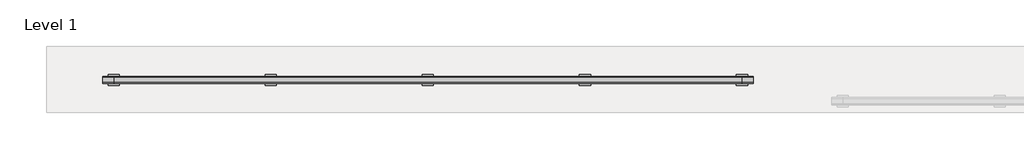
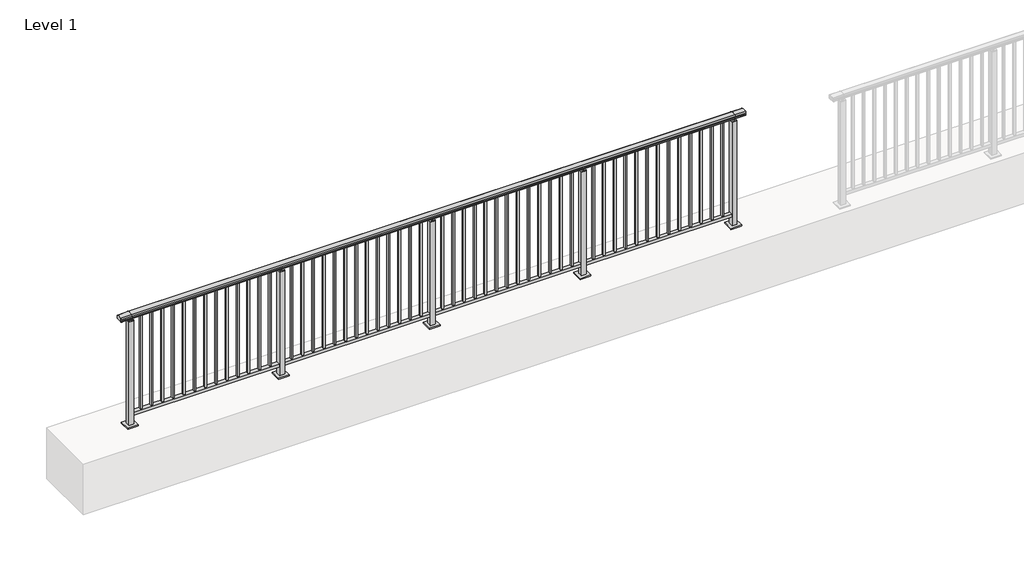
# One storey, part 16 of 64: 1 railing.
"""IFC4 building model written with IfcOpenShell, lengths in millimetres."""

import ifcopenshell
import ifcopenshell.guid

model = None  # the IFC model being written
_history = None  # IfcOwnerHistory: only IFC2X3 demands one
_inside = {}  # id of a spatial element -> (the spatial element, [elements in it])
_under = {}  # id of a project, library or spatial element -> (it, [spatial elements below it])
_declared = {}  # id of a project -> (the project, [libraries it declares])
_typed = {}  # id of a type object -> (the type object, [elements of that type])
_made_of = {}  # id of a material, layer set ... -> (it, [elements and type objects made of it])


def new_model(schema):
    """Start an empty IFC model of exactly this schema.

    Asked for "IFC4X3", IfcOpenShell would pick the latest addendum, in which some entities
    have other attributes; the version numbers below select the first issue.
    IFC2X3 requires an IfcOwnerHistory on every rooted entity: one is made here for all.
    """
    global model, _history
    if schema == "IFC4X3":
        model = ifcopenshell.file(schema_version=(4, 3, 0, 0))
    else:
        model = ifcopenshell.file(schema=schema)
    _inside.clear()
    _under.clear()
    _declared.clear()
    _typed.clear()
    _made_of.clear()
    _history = None
    if model.schema == "IFC2X3":
        org = make("IfcOrganization", Name="unknown")
        user = make(
            "IfcPersonAndOrganization",
            ThePerson=make("IfcPerson", FamilyName="unknown"),
            TheOrganization=org,
        )
        app = make(
            "IfcApplication",
            ApplicationDeveloper=org,
            Version="unknown",
            ApplicationFullName="unknown",
            ApplicationIdentifier="unknown",
        )
        _history = make(
            "IfcOwnerHistory",
            OwningUser=user,
            OwningApplication=app,
            ChangeAction="ADDED",
            CreationDate=0,
        )
    return model


def make(cls, **values):
    """One entity of the class cls with the attributes given. An attribute that is None is left unset."""
    return model.create_entity(
        cls, **{name: value for name, value in values.items() if value is not None}
    )


def rooted(cls, **values):
    """An entity with a GlobalId (a new one), such as an element, a storey or a relation."""
    return make(cls, GlobalId=ifcopenshell.guid.new(), OwnerHistory=_history, **values)


def si_unit(unit_type, name, prefix=None):
    """IfcSIUnit, for example si_unit("LENGTHUNIT", "METRE", prefix="MILLI")."""
    return make("IfcSIUnit", UnitType=unit_type, Prefix=prefix, Name=name)


def assignment(units):
    """IfcUnitAssignment: the units of a project."""
    return None if units is None else make("IfcUnitAssignment", Units=units)


def point(xyz):
    """IfcCartesianPoint."""
    return None if xyz is None else make("IfcCartesianPoint", Coordinates=xyz)


def direction(xyz):
    """IfcDirection."""
    return None if xyz is None else make("IfcDirection", DirectionRatios=xyz)


def frame(location, z_axis=None, x_axis=None):
    """IfcAxis2Placement3D, a coordinate frame: its origin and axes. An axis left out is left unset."""
    return make(
        "IfcAxis2Placement3D",
        Location=point(location),
        Axis=direction(z_axis),
        RefDirection=direction(x_axis),
    )


def origin():
    """The frame at (0, 0, 0) with its axes left unset."""
    return frame((0.0, 0.0, 0.0))


def origin_with_axes():
    """The frame at (0, 0, 0) with the z axis (0, 0, 1) and the x axis (1, 0, 0) written out."""
    return frame((0.0, 0.0, 0.0), z_axis=(0.0, 0.0, 1.0), x_axis=(1.0, 0.0, 0.0))


def place(relative_to, where):
    """IfcLocalPlacement: puts the frame where relative to a parent placement (None: the world)."""
    return make(
        "IfcLocalPlacement", PlacementRelTo=relative_to, RelativePlacement=where
    )


def context(
    kind, dimensions, precision=None, world=None, true_north=None, identifier=None
):
    """IfcGeometricRepresentationContext, for example the 3D "Model" context."""
    return make(
        "IfcGeometricRepresentationContext",
        ContextIdentifier=identifier,
        ContextType=kind,
        CoordinateSpaceDimension=dimensions,
        Precision=precision,
        WorldCoordinateSystem=world,
        TrueNorth=true_north,
    )


def project(units=None, contexts=None):
    """IfcProject with its units and contexts."""
    return rooted(
        "IfcProject",
        Name="project",
        RepresentationContexts=contexts,
        UnitsInContext=assignment(units),
    )


def spatial(cls, under=None, at=None, **own):
    """A site, building, storey or space (cls), placed at a placement, below another one or the project."""
    s = rooted(cls, ObjectPlacement=at, **own)
    if under is not None:
        _under.setdefault(under.id(), (under, []))[1].append(s)
    return s


def polyline(points):
    """IfcPolyline through the points."""
    return make("IfcPolyline", Points=[point(p) for p in points])


def circle_curve(where, radius):
    """IfcCircle in the frame where."""
    return make("IfcCircle", Position=where, Radius=radius)


def outline(outer, holes=None, kind="AREA"):
    """IfcArbitraryClosedProfileDef: a profile drawn as a closed curve; with holes, ...WithVoids."""
    if holes is None:
        return make("IfcArbitraryClosedProfileDef", ProfileType=kind, OuterCurve=outer)
    return make(
        "IfcArbitraryProfileDefWithVoids",
        ProfileType=kind,
        OuterCurve=outer,
        InnerCurves=holes,
    )


def extrude(swept, where, along, depth):
    """IfcExtrudedAreaSolid: the profile swept, set in the frame where, extruded along a direction by depth."""
    return make(
        "IfcExtrudedAreaSolid",
        SweptArea=swept,
        Position=where,
        ExtrudedDirection=direction(along),
        Depth=depth,
    )


def shape(context_of_items, identifier, shape_type, items):
    """IfcShapeRepresentation: the items that make up one representation, for example the "Body"."""
    return make(
        "IfcShapeRepresentation",
        ContextOfItems=context_of_items,
        RepresentationIdentifier=identifier,
        RepresentationType=shape_type,
        Items=items,
    )


def made_of(thing, what):
    """Note that an element or type object is made of a material, layer set ...; save() writes the relation."""
    if what is not None:
        _made_of.setdefault(what.id(), (what, []))[1].append(thing)
    return thing


def element(
    cls,
    number,
    at=None,
    inside=None,
    cuts=None,
    type_object=None,
    material=None,
    context=None,
    identifier="Body",
    shape_type=None,
    held_by="IfcProductDefinitionShape",
    body=None,
    shapes=None,
    **own,
):
    """One element of the class cls, such as IfcWall. Its Tag is "e" and its number.

    at: its placement. inside: the storey or other place that contains it. cuts: it is an
    opening in that element (IfcRelVoidsElement). A single representation is given by context,
    identifier, shape_type and body (its items); several are given by shapes. held_by: the class
    of the entity that holds the representations. save() writes the other relations.
    """
    e = rooted(cls, Tag="e%d" % number, ObjectPlacement=at, **own)
    if body is not None:
        shapes = [shape(context, identifier, shape_type, body)]
    if shapes is not None:
        e.Representation = make(held_by, Representations=shapes)
    if inside is not None:
        _inside.setdefault(inside.id(), (inside, []))[1].append(e)
    if cuts is not None:
        rooted(
            "IfcRelVoidsElement", RelatingBuildingElement=cuts, RelatedOpeningElement=e
        )
    if type_object is not None:
        _typed.setdefault(type_object.id(), (type_object, []))[1].append(e)
    return made_of(e, material)


def aggregate(whole, parts):
    """IfcRelAggregates: a whole, such as a stair, and the parts it consists of."""
    return rooted("IfcRelAggregates", RelatingObject=whole, RelatedObjects=parts)


def save(model, path):
    """Write the relations noted so far, then the file.

    IfcRelAggregates (storeys below a building ...), IfcRelContainedInSpatialStructure (elements
    in a storey), IfcRelDefinesByType, IfcRelAssociatesMaterial and IfcRelDeclares: one each for
    every whole, place, type object, material and project.
    """
    for whole, parts in _under.values():
        aggregate(whole, parts)
    for where, things in _inside.values():
        rooted(
            "IfcRelContainedInSpatialStructure",
            RelatedElements=things,
            RelatingStructure=where,
        )
    for kind, things in _typed.values():
        rooted("IfcRelDefinesByType", RelatedObjects=things, RelatingType=kind)
    for what, things in _made_of.values():
        rooted("IfcRelAssociatesMaterial", RelatedObjects=things, RelatingMaterial=what)
    for by, libraries in _declared.values():
        rooted("IfcRelDeclares", RelatingContext=by, RelatedDefinitions=libraries)
    model.write(path)


def plane_surface(at):
    """IfcPlane: the flat surface through the origin of the frame at, square to its z axis."""
    return make("IfcPlane", Position=at)


def cylinder_surface(at, radius):
    """IfcCylindricalSurface: all points at the distance radius from the z axis of the frame at."""
    return make("IfcCylindricalSurface", Position=at, Radius=radius)


def revolved_surface(curve, axis_point, axis_direction):
    """IfcSurfaceOfRevolution: the curve turned about the line through axis_point along axis_direction."""
    return make(
        "IfcSurfaceOfRevolution",
        SweptCurve=make("IfcArbitraryOpenProfileDef", ProfileType="CURVE", Curve=curve),
        AxisPosition=make("IfcAxis1Placement", Location=point(axis_point), Axis=direction(axis_direction)),
    )


def advanced_brep(points, edges, surfaces, faces):
    """IfcAdvancedBrep: a solid bounded by faces that lie on surfaces and meet in shared edges.

    An edge is (start, end): straight between two places in points (the first is 0);
    or (start, end, curve); or (start, end, curve, False) where it runs against its curve.
    A face is (place in surfaces, loops), or (place, loops, False) where it looks against
    its surface's normal. A loop lists edges by number (the first is 1), with a minus sign
    where the edge is run from its end to its start. The first loop is the outer one.
    """
    corners = [point(p) for p in points]
    vertices = [make("IfcVertexPoint", VertexGeometry=c) for c in corners]
    made = []
    for start, end, *more in edges:
        made.append(
            make(
                "IfcEdgeCurve",
                EdgeStart=vertices[start],
                EdgeEnd=vertices[end],
                EdgeGeometry=more[0] if more else make("IfcPolyline", Points=[corners[start], corners[end]]),
                SameSense=more[1] if len(more) > 1 else True,
            )
        )
    hull = []
    for where, loops, *sense in faces:
        bounds = []
        for j, loop in enumerate(loops):
            ring = [make("IfcOrientedEdge", EdgeElement=made[abs(k) - 1], Orientation=k > 0) for k in loop]
            bounds.append(
                make(
                    "IfcFaceOuterBound" if j == 0 else "IfcFaceBound",
                    Bound=make("IfcEdgeLoop", EdgeList=ring),
                    Orientation=True,
                )
            )
        hull.append(make("IfcAdvancedFace", Bounds=bounds, FaceSurface=surfaces[where], SameSense=sense[0] if sense else True))
    return make("IfcAdvancedBrep", Outer=make("IfcClosedShell", CfsFaces=hull))


model = new_model("IFC4")

# Units and contexts
model_context = context("Model", 3, world=origin())
ifc_project = project(units=[si_unit("LENGTHUNIT", "METRE", prefix="MILLI")], contexts=[model_context])

# Site, building, storey
site = spatial("IfcSite", under=ifc_project)
building = spatial("IfcBuilding", under=site)
storey = spatial("IfcBuildingStorey", under=building, Name="Level 1", Elevation=0.0)

# Railing
placement = place(None, origin())
element("IfcRailing", 1, at=placement, inside=storey, context=model_context, shape_type="SolidModel", body=[
    advanced_brep(
    [(-100.0, 15215.3633756, 1095.6691182), (-100.0, 15220.1846828, 1081.1334092), (-100.0, 15219.2413744, 1069.2539035), (-100.0, 15221.1364177, 1061.4863007), (-100.0, 15219.4894799, 1060.384124), (-100.0, 15219.4894799, 1062.0), (-100.0, 15160.8798858, 1062.0), (-100.0, 15160.8798858, 1060.384124), (-100.0, 15159.232948, 1061.4863007), (-100.0, 15161.1279912, 1069.2539035), (-100.0, 15160.1846828, 1081.1334092), (-100.0, 15165.00599, 1095.6691182), (5700.0, 15215.3633756, 1095.6691182), (5700.0, 15165.00599, 1095.6691182), (5700.0, 15160.1846828, 1081.1334092), (5700.0, 15161.1279912, 1069.2539035), (5700.0, 15159.232948, 1061.4863007), (5700.0, 15160.8798858, 1060.384124), (5700.0, 15160.8798858, 1062.0), (5700.0, 15219.4894799, 1062.0), (5700.0, 15219.4894799, 1060.384124), (5700.0, 15221.1364177, 1061.4863007), (5700.0, 15219.2413744, 1069.2539035), (5700.0, 15220.1846828, 1081.1334092), (0.0, 15215.3633756, 1095.6691182), (0.0, 15220.1846828, 1081.1334092), (0.0, 15219.2413744, 1069.2539035), (0.0, 15221.1364177, 1061.4863007), (0.0, 15219.4894799, 1060.384124), (0.0, 15219.4894799, 1062.0), (0.0, 15160.8798858, 1062.0), (0.0, 15160.8798858, 1060.384124), (0.0, 15159.232948, 1061.4863007), (0.0, 15161.1279912, 1069.2539035), (0.0, 15160.1846828, 1081.1334092), (0.0, 15165.00599, 1095.6691182), (5600.0, 15215.3633756, 1095.6691182), (5600.0, 15220.1846828, 1081.1334092), (5600.0, 15219.2413744, 1069.2539035), (5600.0, 15221.1364177, 1061.4863007), (5600.0, 15219.4894799, 1060.384124), (5600.0, 15219.4894799, 1062.0), (5600.0, 15160.8798858, 1062.0), (5600.0, 15160.8798858, 1060.384124), (5600.0, 15159.232948, 1061.4863007), (5600.0, 15161.1279912, 1069.2539035), (5600.0, 15160.1846828, 1081.1334092), (5600.0, 15165.00599, 1095.6691182)],
    [
        (0, 1, circle_curve(frame((-100.0, 15212.1223845, 1086.526686), z_axis=(-1.0, 0.0, 0.0), x_axis=(0.0, -1.0, 0.0)), 9.6999015)),
        (1, 2, circle_curve(frame((-100.0, 15237.7252545, 1073.7633709), z_axis=(1.0, 0.0, 0.0), x_axis=(0.0, -1.0, 0.0)), 19.0260117)),
        (2, 3),
        (3, 4, circle_curve(frame((-100.0, 15220.2772073, 1060.9886194), z_axis=(-1.0, 0.0, 0.0), x_axis=(0.0, -1.0, 0.0)), 0.9929396)),
        (4, 5),
        (5, 6),
        (6, 7),
        (7, 8, circle_curve(frame((-100.0, 15160.0921584, 1060.9886194), z_axis=(-1.0, 0.0, 0.0), x_axis=(0.0, 1.0, 0.0)), 0.9929396)),
        (8, 9),
        (9, 10, circle_curve(frame((-100.0, 15142.6441111, 1073.7633709), z_axis=(1.0, 0.0, 0.0), x_axis=(0.0, 1.0, 0.0)), 19.0260117)),
        (10, 11, circle_curve(frame((-100.0, 15168.2469812, 1086.526686), z_axis=(-1.0, 0.0, 0.0), x_axis=(0.0, 1.0, 0.0)), 9.6999015)),
        (11, 0, circle_curve(frame((-100.0, 15190.1846828, 1024.6431628), z_axis=(-1.0, 0.0, 0.0), x_axis=(0.0, 1.0, 0.0)), 75.3568372)),
        (12, 13, circle_curve(frame((5700.0, 15190.1846828, 1024.6431628), z_axis=(1.0, 0.0, 0.0), x_axis=(0.0, 1.0, 0.0)), 75.3568372)),
        (13, 14, circle_curve(frame((5700.0, 15168.2469812, 1086.526686), z_axis=(1.0, 0.0, 0.0), x_axis=(0.0, 1.0, 0.0)), 9.6999015)),
        (14, 15, circle_curve(frame((5700.0, 15142.6441111, 1073.7633709), z_axis=(-1.0, 0.0, 0.0), x_axis=(0.0, 1.0, 0.0)), 19.0260117)),
        (15, 16),
        (16, 17, circle_curve(frame((5700.0, 15160.0921584, 1060.9886194), z_axis=(1.0, 0.0, 0.0), x_axis=(0.0, 1.0, 0.0)), 0.9929396)),
        (17, 18),
        (18, 19),
        (19, 20),
        (20, 21, circle_curve(frame((5700.0, 15220.2772073, 1060.9886194), z_axis=(1.0, 0.0, 0.0), x_axis=(0.0, -1.0, 0.0)), 0.9929396)),
        (21, 22),
        (22, 23, circle_curve(frame((5700.0, 15237.7252545, 1073.7633709), z_axis=(-1.0, 0.0, 0.0), x_axis=(0.0, -1.0, 0.0)), 19.0260117)),
        (23, 12, circle_curve(frame((5700.0, 15212.1223845, 1086.526686), z_axis=(1.0, 0.0, 0.0), x_axis=(0.0, -1.0, 0.0)), 9.6999015)),
        (0, 24),
        (24, 25, circle_curve(frame((0.0, 15212.1223845, 1086.526686), z_axis=(-1.0, 0.0, 0.0), x_axis=(0.0, -1.0, 0.0)), 9.6999015)),
        (25, 1),
        (25, 26, circle_curve(frame((0.0, 15237.7252545, 1073.7633709), z_axis=(1.0, 0.0, 0.0), x_axis=(0.0, -1.0, 0.0)), 19.0260117)),
        (26, 2),
        (26, 27),
        (27, 3),
        (27, 28, circle_curve(frame((0.0, 15220.2772073, 1060.9886194), z_axis=(-1.0, 0.0, 0.0), x_axis=(0.0, -1.0, 0.0)), 0.9929396)),
        (28, 4),
        (28, 29),
        (29, 5),
        (29, 30),
        (30, 6),
        (30, 31),
        (31, 7),
        (31, 32, circle_curve(frame((0.0, 15160.0921584, 1060.9886194), z_axis=(-1.0, 0.0, 0.0), x_axis=(0.0, 1.0, 0.0)), 0.9929396)),
        (32, 8),
        (32, 33),
        (33, 9),
        (33, 34, circle_curve(frame((0.0, 15142.6441111, 1073.7633709), z_axis=(1.0, 0.0, 0.0), x_axis=(0.0, 1.0, 0.0)), 19.0260117)),
        (34, 10),
        (34, 35, circle_curve(frame((0.0, 15168.2469812, 1086.526686), z_axis=(-1.0, 0.0, 0.0), x_axis=(0.0, 1.0, 0.0)), 9.6999015)),
        (35, 11),
        (35, 24, circle_curve(frame((0.0, 15190.1846828, 1024.6431628), z_axis=(-1.0, 0.0, 0.0), x_axis=(0.0, 1.0, 0.0)), 75.3568372)),
        (24, 36),
        (36, 37, circle_curve(frame((5600.0, 15212.1223845, 1086.526686), z_axis=(-1.0, 0.0, 0.0), x_axis=(0.0, -1.0, 0.0)), 9.6999015)),
        (37, 25),
        (37, 38, circle_curve(frame((5600.0, 15237.7252545, 1073.7633709), z_axis=(1.0, 0.0, 0.0), x_axis=(0.0, -1.0, 0.0)), 19.0260117)),
        (38, 26),
        (38, 39),
        (39, 27),
        (39, 40, circle_curve(frame((5600.0, 15220.2772073, 1060.9886194), z_axis=(-1.0, 0.0, 0.0), x_axis=(0.0, -1.0, 0.0)), 0.9929396)),
        (40, 28),
        (40, 41),
        (41, 29),
        (41, 42),
        (42, 30),
        (42, 43),
        (43, 31),
        (43, 44, circle_curve(frame((5600.0, 15160.0921584, 1060.9886194), z_axis=(-1.0, 0.0, 0.0), x_axis=(0.0, 1.0, 0.0)), 0.9929396)),
        (44, 32),
        (44, 45),
        (45, 33),
        (45, 46, circle_curve(frame((5600.0, 15142.6441111, 1073.7633709), z_axis=(1.0, 0.0, 0.0), x_axis=(0.0, 1.0, 0.0)), 19.0260117)),
        (46, 34),
        (46, 47, circle_curve(frame((5600.0, 15168.2469812, 1086.526686), z_axis=(-1.0, 0.0, 0.0), x_axis=(0.0, 1.0, 0.0)), 9.6999015)),
        (47, 35),
        (47, 36, circle_curve(frame((5600.0, 15190.1846828, 1024.6431628), z_axis=(-1.0, 0.0, 0.0), x_axis=(0.0, 1.0, 0.0)), 75.3568372)),
        (36, 12),
        (23, 37),
        (22, 38),
        (21, 39),
        (20, 40),
        (19, 41),
        (18, 42),
        (17, 43),
        (16, 44),
        (15, 45),
        (14, 46),
        (13, 47),
    ],
    [
        plane_surface(frame((-100.0, 15190.1846828, 1100.0), z_axis=(-1.0, 0.0, 0.0), x_axis=(0.0, 1.0, 0.0))),
        plane_surface(frame((5700.0, 15190.1846828, 1100.0), z_axis=(1.0, 0.0, 0.0), x_axis=(0.0, 1.0, 0.0))),
        cylinder_surface(frame((-100.0, 15212.1223845, 1086.526686), z_axis=(-1.0, 0.0, 0.0), x_axis=(0.0, -1.0, 0.0)), 9.6999015),
        revolved_surface(polyline([(0.0, 15218.6992428, 1073.7633709), (-100.0, 15218.6992428, 1073.7633709)]), (-100.0, 15237.7252545, 1073.7633709), (1.0, 0.0, 0.0)),
        plane_surface(frame((-100.0, 15219.2413744, 1069.2539035), z_axis=(0.0, 0.9715057689301543, 0.2370159086125439), x_axis=(1.0, 0.0, 0.0))),
        cylinder_surface(frame((-100.0, 15220.2772073, 1060.9886194), z_axis=(-1.0, 0.0, 0.0), x_axis=(0.0, -1.0, 0.0)), 0.9929396),
        plane_surface(frame((-100.0, 15219.4894799, 1060.384124), z_axis=(0.0, -1.0, 0.0), x_axis=(1.0, 0.0, 0.0))),
        plane_surface(frame((-100.0, 15219.4894799, 1062.0), z_axis=(0.0, 0.0, -1.0), x_axis=(1.0, 0.0, 0.0))),
        plane_surface(frame((-100.0, 15160.8798858, 1062.0), z_axis=(0.0, 1.0, 0.0), x_axis=(1.0, 0.0, 0.0))),
        cylinder_surface(frame((-100.0, 15160.0921584, 1060.9886194), z_axis=(-1.0, 0.0, 0.0), x_axis=(0.0, 1.0, 0.0)), 0.9929396),
        plane_surface(frame((-100.0, 15159.232948, 1061.4863007), z_axis=(0.0, -0.9715057689301543, 0.2370159086125439), x_axis=(1.0, 0.0, 0.0))),
        revolved_surface(polyline([(0.0, 15161.6701228, 1073.7633709), (-100.0, 15161.6701228, 1073.7633709)]), (-100.0, 15142.6441111, 1073.7633709), (1.0, 0.0, 0.0)),
        cylinder_surface(frame((-100.0, 15168.2469812, 1086.526686), z_axis=(-1.0, 0.0, 0.0), x_axis=(0.0, 1.0, 0.0)), 9.6999015),
        cylinder_surface(frame((-100.0, 15190.1846828, 1024.6431628), z_axis=(-1.0, 0.0, 0.0), x_axis=(0.0, 1.0, 0.0)), 75.3568372),
        cylinder_surface(frame((0.0, 15212.1223845, 1086.526686), z_axis=(-1.0, 0.0, 0.0), x_axis=(0.0, -1.0, 0.0)), 9.6999015),
        revolved_surface(polyline([(5600.0, 15218.6992428, 1073.7633709), (0.0, 15218.6992428, 1073.7633709)]), (0.0, 15237.7252545, 1073.7633709), (1.0, 0.0, 0.0)),
        plane_surface(frame((0.0, 15219.2413744, 1069.2539035), z_axis=(0.0, 0.9715057689301543, 0.2370159086125439), x_axis=(1.0, 0.0, 0.0))),
        cylinder_surface(frame((0.0, 15220.2772073, 1060.9886194), z_axis=(-1.0, 0.0, 0.0), x_axis=(0.0, -1.0, 0.0)), 0.9929396),
        plane_surface(frame((0.0, 15219.4894799, 1060.384124), z_axis=(0.0, -1.0, 0.0), x_axis=(1.0, 0.0, 0.0))),
        plane_surface(frame((0.0, 15219.4894799, 1062.0), z_axis=(0.0, 0.0, -1.0), x_axis=(1.0, 0.0, 0.0))),
        plane_surface(frame((0.0, 15160.8798858, 1062.0), z_axis=(0.0, 1.0, 0.0), x_axis=(1.0, 0.0, 0.0))),
        cylinder_surface(frame((0.0, 15160.0921584, 1060.9886194), z_axis=(-1.0, 0.0, 0.0), x_axis=(0.0, 1.0, 0.0)), 0.9929396),
        plane_surface(frame((0.0, 15159.232948, 1061.4863007), z_axis=(0.0, -0.9715057689301543, 0.2370159086125439), x_axis=(1.0, 0.0, 0.0))),
        revolved_surface(polyline([(5600.0, 15161.6701228, 1073.7633709), (0.0, 15161.6701228, 1073.7633709)]), (0.0, 15142.6441111, 1073.7633709), (1.0, 0.0, 0.0)),
        cylinder_surface(frame((0.0, 15168.2469812, 1086.526686), z_axis=(-1.0, 0.0, 0.0), x_axis=(0.0, 1.0, 0.0)), 9.6999015),
        cylinder_surface(frame((0.0, 15190.1846828, 1024.6431628), z_axis=(-1.0, 0.0, 0.0), x_axis=(0.0, 1.0, 0.0)), 75.3568372),
        cylinder_surface(frame((5600.0, 15212.1223845, 1086.526686), z_axis=(-1.0, 0.0, 0.0), x_axis=(0.0, -1.0, 0.0)), 9.6999015),
        revolved_surface(polyline([(5700.0, 15218.6992428, 1073.7633709), (5600.0, 15218.6992428, 1073.7633709)]), (5600.0, 15237.7252545, 1073.7633709), (1.0, 0.0, 0.0)),
        plane_surface(frame((5600.0, 15219.2413744, 1069.2539035), z_axis=(0.0, 0.9715057689301543, 0.2370159086125439), x_axis=(1.0, 0.0, 0.0))),
        cylinder_surface(frame((5600.0, 15220.2772073, 1060.9886194), z_axis=(-1.0, 0.0, 0.0), x_axis=(0.0, -1.0, 0.0)), 0.9929396),
        plane_surface(frame((5600.0, 15219.4894799, 1060.384124), z_axis=(0.0, -1.0, 0.0), x_axis=(1.0, 0.0, 0.0))),
        plane_surface(frame((5600.0, 15219.4894799, 1062.0), z_axis=(0.0, 0.0, -1.0), x_axis=(1.0, 0.0, 0.0))),
        plane_surface(frame((5600.0, 15160.8798858, 1062.0), z_axis=(0.0, 1.0, 0.0), x_axis=(1.0, 0.0, 0.0))),
        cylinder_surface(frame((5600.0, 15160.0921584, 1060.9886194), z_axis=(-1.0, 0.0, 0.0), x_axis=(0.0, 1.0, 0.0)), 0.9929396),
        plane_surface(frame((5600.0, 15159.232948, 1061.4863007), z_axis=(0.0, -0.9715057689301543, 0.2370159086125439), x_axis=(1.0, 0.0, 0.0))),
        revolved_surface(polyline([(5700.0, 15161.6701228, 1073.7633709), (5600.0, 15161.6701228, 1073.7633709)]), (5600.0, 15142.6441111, 1073.7633709), (1.0, 0.0, 0.0)),
        cylinder_surface(frame((5600.0, 15168.2469812, 1086.526686), z_axis=(-1.0, 0.0, 0.0), x_axis=(0.0, 1.0, 0.0)), 9.6999015),
        cylinder_surface(frame((5600.0, 15190.1846828, 1024.6431628), z_axis=(-1.0, 0.0, 0.0), x_axis=(0.0, 1.0, 0.0)), 75.3568372),
    ],
    [
        (0, [[1, 2, 3, 4, 5, 6, 7, 8, 9, 10, 11, 12]]),
        (1, [[13, 14, 15, 16, 17, 18, 19, 20, 21, 22, 23, 24]]),
        (2, [[-1, 25, 26, 27]]),
        (3, [[-2, -27, 28, 29]]),
        (4, [[-3, -29, 30, 31]]),
        (5, [[-4, -31, 32, 33]]),
        (6, [[-5, -33, 34, 35]]),
        (7, [[-6, -35, 36, 37]]),
        (8, [[-7, -37, 38, 39]]),
        (9, [[-8, -39, 40, 41]]),
        (10, [[-9, -41, 42, 43]]),
        (11, [[-10, -43, 44, 45]]),
        (12, [[-11, -45, 46, 47]]),
        (13, [[-12, -47, 48, -25]]),
        (14, [[-26, 49, 50, 51]]),
        (15, [[-28, -51, 52, 53]]),
        (16, [[-30, -53, 54, 55]]),
        (17, [[-32, -55, 56, 57]]),
        (18, [[-34, -57, 58, 59]]),
        (19, [[-36, -59, 60, 61]]),
        (20, [[-38, -61, 62, 63]]),
        (21, [[-40, -63, 64, 65]]),
        (22, [[-42, -65, 66, 67]]),
        (23, [[-44, -67, 68, 69]]),
        (24, [[-46, -69, 70, 71]]),
        (25, [[-48, -71, 72, -49]]),
        (26, [[-50, 73, -24, 74]]),
        (27, [[-52, -74, -23, 75]]),
        (28, [[-54, -75, -22, 76]]),
        (29, [[-56, -76, -21, 77]]),
        (30, [[-58, -77, -20, 78]]),
        (31, [[-60, -78, -19, 79]]),
        (32, [[-62, -79, -18, 80]]),
        (33, [[-64, -80, -17, 81]]),
        (34, [[-66, -81, -16, 82]]),
        (35, [[-68, -82, -15, 83]]),
        (36, [[-70, -83, -14, 84]]),
        (37, [[-72, -84, -13, -73]]),
    ],
),
    extrude(outline(polyline([(0.0, 15172.6846828), (0.0, 15207.6846828), (5600.0, 15207.6846828), (5600.0, 15172.6846828), (0.0, 15172.6846828)])), frame((0.0, 0.0, 95.0), z_axis=(0.0, 0.0, 1.0), x_axis=(1.0, 0.0, 0.0)), (0.0, 0.0, 1.0), 30.0),
    extrude(outline(polyline([(5508.5, 15198.6846828), (5508.5, 15181.6846828), (5491.5, 15181.6846828), (5491.5, 15198.6846828), (5508.5, 15198.6846828)])), frame((0.0, 0.0, 125.0), z_axis=(0.0, 0.0, 1.0), x_axis=(1.0, 0.0, 0.0)), (0.0, 0.0, 1.0), 930.0),
    extrude(outline(polyline([(5408.5, 15198.6846828), (5408.5, 15181.6846828), (5391.5, 15181.6846828), (5391.5, 15198.6846828), (5408.5, 15198.6846828)])), frame((0.0, 0.0, 125.0), z_axis=(0.0, 0.0, 1.0), x_axis=(1.0, 0.0, 0.0)), (0.0, 0.0, 1.0), 930.0),
    extrude(outline(polyline([(5308.5, 15198.6846828), (5308.5, 15181.6846828), (5291.5, 15181.6846828), (5291.5, 15198.6846828), (5308.5, 15198.6846828)])), frame((0.0, 0.0, 125.0), z_axis=(0.0, 0.0, 1.0), x_axis=(1.0, 0.0, 0.0)), (0.0, 0.0, 1.0), 930.0),
    extrude(outline(polyline([(5208.5, 15198.6846828), (5208.5, 15181.6846828), (5191.5, 15181.6846828), (5191.5, 15198.6846828), (5208.5, 15198.6846828)])), frame((0.0, 0.0, 125.0), z_axis=(0.0, 0.0, 1.0), x_axis=(1.0, 0.0, 0.0)), (0.0, 0.0, 1.0), 930.0),
    extrude(outline(polyline([(5108.5, 15198.6846828), (5108.5, 15181.6846828), (5091.5, 15181.6846828), (5091.5, 15198.6846828), (5108.5, 15198.6846828)])), frame((0.0, 0.0, 125.0), z_axis=(0.0, 0.0, 1.0), x_axis=(1.0, 0.0, 0.0)), (0.0, 0.0, 1.0), 930.0),
    extrude(outline(polyline([(5008.5, 15198.6846828), (5008.5, 15181.6846828), (4991.5, 15181.6846828), (4991.5, 15198.6846828), (5008.5, 15198.6846828)])), frame((0.0, 0.0, 125.0), z_axis=(0.0, 0.0, 1.0), x_axis=(1.0, 0.0, 0.0)), (0.0, 0.0, 1.0), 930.0),
    extrude(outline(polyline([(4908.5, 15198.6846828), (4908.5, 15181.6846828), (4891.5, 15181.6846828), (4891.5, 15198.6846828), (4908.5, 15198.6846828)])), frame((0.0, 0.0, 125.0), z_axis=(0.0, 0.0, 1.0), x_axis=(1.0, 0.0, 0.0)), (0.0, 0.0, 1.0), 930.0),
    extrude(outline(polyline([(4808.5, 15198.6846828), (4808.5, 15181.6846828), (4791.5, 15181.6846828), (4791.5, 15198.6846828), (4808.5, 15198.6846828)])), frame((0.0, 0.0, 125.0), z_axis=(0.0, 0.0, 1.0), x_axis=(1.0, 0.0, 0.0)), (0.0, 0.0, 1.0), 930.0),
    extrude(outline(polyline([(4708.5, 15198.6846828), (4708.5, 15181.6846828), (4691.5, 15181.6846828), (4691.5, 15198.6846828), (4708.5, 15198.6846828)])), frame((0.0, 0.0, 125.0), z_axis=(0.0, 0.0, 1.0), x_axis=(1.0, 0.0, 0.0)), (0.0, 0.0, 1.0), 930.0),
    extrude(outline(polyline([(4608.5, 15198.6846828), (4608.5, 15181.6846828), (4591.5, 15181.6846828), (4591.5, 15198.6846828), (4608.5, 15198.6846828)])), frame((0.0, 0.0, 125.0), z_axis=(0.0, 0.0, 1.0), x_axis=(1.0, 0.0, 0.0)), (0.0, 0.0, 1.0), 930.0),
    extrude(outline(polyline([(4508.5, 15198.6846828), (4508.5, 15181.6846828), (4491.5, 15181.6846828), (4491.5, 15198.6846828), (4508.5, 15198.6846828)])), frame((0.0, 0.0, 125.0), z_axis=(0.0, 0.0, 1.0), x_axis=(1.0, 0.0, 0.0)), (0.0, 0.0, 1.0), 930.0),
    extrude(outline(polyline([(4408.5, 15198.6846828), (4408.5, 15181.6846828), (4391.5, 15181.6846828), (4391.5, 15198.6846828), (4408.5, 15198.6846828)])), frame((0.0, 0.0, 125.0), z_axis=(0.0, 0.0, 1.0), x_axis=(1.0, 0.0, 0.0)), (0.0, 0.0, 1.0), 930.0),
    extrude(outline(polyline([(4308.5, 15198.6846828), (4308.5, 15181.6846828), (4291.5, 15181.6846828), (4291.5, 15198.6846828), (4308.5, 15198.6846828)])), frame((0.0, 0.0, 125.0), z_axis=(0.0, 0.0, 1.0), x_axis=(1.0, 0.0, 0.0)), (0.0, 0.0, 1.0), 930.0),
    extrude(outline(polyline([(4210.0, 15180.1846828), (4190.0, 15180.1846828), (4190.0, 15200.1846828), (4210.0, 15200.1846828), (4210.0, 15180.1846828)])), frame((0.0, 0.0, 1035.0), z_axis=(0.0, 0.0, 1.0), x_axis=(1.0, 0.0, 0.0)), (0.0, 0.0, 1.0), 20.0),
    extrude(outline(polyline([(4222.5, 15167.6846828), (4177.5, 15167.6846828), (4177.5, 15212.6846828), (4222.5, 15212.6846828), (4222.5, 15167.6846828)])), frame((0.0, 0.0, 1027.0), z_axis=(0.0, 0.0, 1.0), x_axis=(1.0, 0.0, 0.0)), (0.0, 0.0, 1.0), 8.0),
    extrude(outline(polyline([(4250.0, 15140.1846828), (4150.0, 15140.1846828), (4150.0, 15240.1846828), (4250.0, 15240.1846828), (4250.0, 15140.1846828)])), origin_with_axes(), (0.0, 0.0, 1.0), 12.0),
    extrude(outline(polyline([(4222.5, 15167.6846828), (4177.5, 15167.6846828), (4177.5, 15212.6846828), (4222.5, 15212.6846828), (4222.5, 15167.6846828)])), frame((0.0, 0.0, 12.0), z_axis=(0.0, 0.0, 1.0), x_axis=(1.0, 0.0, 0.0)), (0.0, 0.0, 1.0), 1015.0),
    extrude(outline(polyline([(4108.5, 15198.6846828), (4108.5, 15181.6846828), (4091.5, 15181.6846828), (4091.5, 15198.6846828), (4108.5, 15198.6846828)])), frame((0.0, 0.0, 125.0), z_axis=(0.0, 0.0, 1.0), x_axis=(1.0, 0.0, 0.0)), (0.0, 0.0, 1.0), 930.0),
    extrude(outline(polyline([(4008.5, 15198.6846828), (4008.5, 15181.6846828), (3991.5, 15181.6846828), (3991.5, 15198.6846828), (4008.5, 15198.6846828)])), frame((0.0, 0.0, 125.0), z_axis=(0.0, 0.0, 1.0), x_axis=(1.0, 0.0, 0.0)), (0.0, 0.0, 1.0), 930.0),
    extrude(outline(polyline([(3908.5, 15198.6846828), (3908.5, 15181.6846828), (3891.5, 15181.6846828), (3891.5, 15198.6846828), (3908.5, 15198.6846828)])), frame((0.0, 0.0, 125.0), z_axis=(0.0, 0.0, 1.0), x_axis=(1.0, 0.0, 0.0)), (0.0, 0.0, 1.0), 930.0),
    extrude(outline(polyline([(3808.5, 15198.6846828), (3808.5, 15181.6846828), (3791.5, 15181.6846828), (3791.5, 15198.6846828), (3808.5, 15198.6846828)])), frame((0.0, 0.0, 125.0), z_axis=(0.0, 0.0, 1.0), x_axis=(1.0, 0.0, 0.0)), (0.0, 0.0, 1.0), 930.0),
    extrude(outline(polyline([(3708.5, 15198.6846828), (3708.5, 15181.6846828), (3691.5, 15181.6846828), (3691.5, 15198.6846828), (3708.5, 15198.6846828)])), frame((0.0, 0.0, 125.0), z_axis=(0.0, 0.0, 1.0), x_axis=(1.0, 0.0, 0.0)), (0.0, 0.0, 1.0), 930.0),
    extrude(outline(polyline([(3608.5, 15198.6846828), (3608.5, 15181.6846828), (3591.5, 15181.6846828), (3591.5, 15198.6846828), (3608.5, 15198.6846828)])), frame((0.0, 0.0, 125.0), z_axis=(0.0, 0.0, 1.0), x_axis=(1.0, 0.0, 0.0)), (0.0, 0.0, 1.0), 930.0),
    extrude(outline(polyline([(3508.5, 15198.6846828), (3508.5, 15181.6846828), (3491.5, 15181.6846828), (3491.5, 15198.6846828), (3508.5, 15198.6846828)])), frame((0.0, 0.0, 125.0), z_axis=(0.0, 0.0, 1.0), x_axis=(1.0, 0.0, 0.0)), (0.0, 0.0, 1.0), 930.0),
    extrude(outline(polyline([(3408.5, 15198.6846828), (3408.5, 15181.6846828), (3391.5, 15181.6846828), (3391.5, 15198.6846828), (3408.5, 15198.6846828)])), frame((0.0, 0.0, 125.0), z_axis=(0.0, 0.0, 1.0), x_axis=(1.0, 0.0, 0.0)), (0.0, 0.0, 1.0), 930.0),
    extrude(outline(polyline([(3308.5, 15198.6846828), (3308.5, 15181.6846828), (3291.5, 15181.6846828), (3291.5, 15198.6846828), (3308.5, 15198.6846828)])), frame((0.0, 0.0, 125.0), z_axis=(0.0, 0.0, 1.0), x_axis=(1.0, 0.0, 0.0)), (0.0, 0.0, 1.0), 930.0),
    extrude(outline(polyline([(3208.5, 15198.6846828), (3208.5, 15181.6846828), (3191.5, 15181.6846828), (3191.5, 15198.6846828), (3208.5, 15198.6846828)])), frame((0.0, 0.0, 125.0), z_axis=(0.0, 0.0, 1.0), x_axis=(1.0, 0.0, 0.0)), (0.0, 0.0, 1.0), 930.0),
    extrude(outline(polyline([(3108.5, 15198.6846828), (3108.5, 15181.6846828), (3091.5, 15181.6846828), (3091.5, 15198.6846828), (3108.5, 15198.6846828)])), frame((0.0, 0.0, 125.0), z_axis=(0.0, 0.0, 1.0), x_axis=(1.0, 0.0, 0.0)), (0.0, 0.0, 1.0), 930.0),
    extrude(outline(polyline([(3008.5, 15198.6846828), (3008.5, 15181.6846828), (2991.5, 15181.6846828), (2991.5, 15198.6846828), (3008.5, 15198.6846828)])), frame((0.0, 0.0, 125.0), z_axis=(0.0, 0.0, 1.0), x_axis=(1.0, 0.0, 0.0)), (0.0, 0.0, 1.0), 930.0),
    extrude(outline(polyline([(2908.5, 15198.6846828), (2908.5, 15181.6846828), (2891.5, 15181.6846828), (2891.5, 15198.6846828), (2908.5, 15198.6846828)])), frame((0.0, 0.0, 125.0), z_axis=(0.0, 0.0, 1.0), x_axis=(1.0, 0.0, 0.0)), (0.0, 0.0, 1.0), 930.0),
    extrude(outline(polyline([(2810.0, 15180.1846828), (2790.0, 15180.1846828), (2790.0, 15200.1846828), (2810.0, 15200.1846828), (2810.0, 15180.1846828)])), frame((0.0, 0.0, 1035.0), z_axis=(0.0, 0.0, 1.0), x_axis=(1.0, 0.0, 0.0)), (0.0, 0.0, 1.0), 20.0),
    extrude(outline(polyline([(2822.5, 15167.6846828), (2777.5, 15167.6846828), (2777.5, 15212.6846828), (2822.5, 15212.6846828), (2822.5, 15167.6846828)])), frame((0.0, 0.0, 1027.0), z_axis=(0.0, 0.0, 1.0), x_axis=(1.0, 0.0, 0.0)), (0.0, 0.0, 1.0), 8.0),
    extrude(outline(polyline([(2850.0, 15140.1846828), (2750.0, 15140.1846828), (2750.0, 15240.1846828), (2850.0, 15240.1846828), (2850.0, 15140.1846828)])), origin_with_axes(), (0.0, 0.0, 1.0), 12.0),
    extrude(outline(polyline([(2822.5, 15167.6846828), (2777.5, 15167.6846828), (2777.5, 15212.6846828), (2822.5, 15212.6846828), (2822.5, 15167.6846828)])), frame((0.0, 0.0, 12.0), z_axis=(0.0, 0.0, 1.0), x_axis=(1.0, 0.0, 0.0)), (0.0, 0.0, 1.0), 1015.0),
    extrude(outline(polyline([(2708.5, 15198.6846828), (2708.5, 15181.6846828), (2691.5, 15181.6846828), (2691.5, 15198.6846828), (2708.5, 15198.6846828)])), frame((0.0, 0.0, 125.0), z_axis=(0.0, 0.0, 1.0), x_axis=(1.0, 0.0, 0.0)), (0.0, 0.0, 1.0), 930.0),
    extrude(outline(polyline([(2608.5, 15198.6846828), (2608.5, 15181.6846828), (2591.5, 15181.6846828), (2591.5, 15198.6846828), (2608.5, 15198.6846828)])), frame((0.0, 0.0, 125.0), z_axis=(0.0, 0.0, 1.0), x_axis=(1.0, 0.0, 0.0)), (0.0, 0.0, 1.0), 930.0),
    extrude(outline(polyline([(2508.5, 15198.6846828), (2508.5, 15181.6846828), (2491.5, 15181.6846828), (2491.5, 15198.6846828), (2508.5, 15198.6846828)])), frame((0.0, 0.0, 125.0), z_axis=(0.0, 0.0, 1.0), x_axis=(1.0, 0.0, 0.0)), (0.0, 0.0, 1.0), 930.0),
    extrude(outline(polyline([(2408.5, 15198.6846828), (2408.5, 15181.6846828), (2391.5, 15181.6846828), (2391.5, 15198.6846828), (2408.5, 15198.6846828)])), frame((0.0, 0.0, 125.0), z_axis=(0.0, 0.0, 1.0), x_axis=(1.0, 0.0, 0.0)), (0.0, 0.0, 1.0), 930.0),
    extrude(outline(polyline([(2308.5, 15198.6846828), (2308.5, 15181.6846828), (2291.5, 15181.6846828), (2291.5, 15198.6846828), (2308.5, 15198.6846828)])), frame((0.0, 0.0, 125.0), z_axis=(0.0, 0.0, 1.0), x_axis=(1.0, 0.0, 0.0)), (0.0, 0.0, 1.0), 930.0),
    extrude(outline(polyline([(2208.5, 15198.6846828), (2208.5, 15181.6846828), (2191.5, 15181.6846828), (2191.5, 15198.6846828), (2208.5, 15198.6846828)])), frame((0.0, 0.0, 125.0), z_axis=(0.0, 0.0, 1.0), x_axis=(1.0, 0.0, 0.0)), (0.0, 0.0, 1.0), 930.0),
    extrude(outline(polyline([(2108.5, 15198.6846828), (2108.5, 15181.6846828), (2091.5, 15181.6846828), (2091.5, 15198.6846828), (2108.5, 15198.6846828)])), frame((0.0, 0.0, 125.0), z_axis=(0.0, 0.0, 1.0), x_axis=(1.0, 0.0, 0.0)), (0.0, 0.0, 1.0), 930.0),
    extrude(outline(polyline([(2008.5, 15198.6846828), (2008.5, 15181.6846828), (1991.5, 15181.6846828), (1991.5, 15198.6846828), (2008.5, 15198.6846828)])), frame((0.0, 0.0, 125.0), z_axis=(0.0, 0.0, 1.0), x_axis=(1.0, 0.0, 0.0)), (0.0, 0.0, 1.0), 930.0),
    extrude(outline(polyline([(1908.5, 15198.6846828), (1908.5, 15181.6846828), (1891.5, 15181.6846828), (1891.5, 15198.6846828), (1908.5, 15198.6846828)])), frame((0.0, 0.0, 125.0), z_axis=(0.0, 0.0, 1.0), x_axis=(1.0, 0.0, 0.0)), (0.0, 0.0, 1.0), 930.0),
    extrude(outline(polyline([(1808.5, 15198.6846828), (1808.5, 15181.6846828), (1791.5, 15181.6846828), (1791.5, 15198.6846828), (1808.5, 15198.6846828)])), frame((0.0, 0.0, 125.0), z_axis=(0.0, 0.0, 1.0), x_axis=(1.0, 0.0, 0.0)), (0.0, 0.0, 1.0), 930.0),
    extrude(outline(polyline([(1708.5, 15198.6846828), (1708.5, 15181.6846828), (1691.5, 15181.6846828), (1691.5, 15198.6846828), (1708.5, 15198.6846828)])), frame((0.0, 0.0, 125.0), z_axis=(0.0, 0.0, 1.0), x_axis=(1.0, 0.0, 0.0)), (0.0, 0.0, 1.0), 930.0),
    extrude(outline(polyline([(1608.5, 15198.6846828), (1608.5, 15181.6846828), (1591.5, 15181.6846828), (1591.5, 15198.6846828), (1608.5, 15198.6846828)])), frame((0.0, 0.0, 125.0), z_axis=(0.0, 0.0, 1.0), x_axis=(1.0, 0.0, 0.0)), (0.0, 0.0, 1.0), 930.0),
    extrude(outline(polyline([(1508.5, 15198.6846828), (1508.5, 15181.6846828), (1491.5, 15181.6846828), (1491.5, 15198.6846828), (1508.5, 15198.6846828)])), frame((0.0, 0.0, 125.0), z_axis=(0.0, 0.0, 1.0), x_axis=(1.0, 0.0, 0.0)), (0.0, 0.0, 1.0), 930.0),
    extrude(outline(polyline([(1410.0, 15180.1846828), (1390.0, 15180.1846828), (1390.0, 15200.1846828), (1410.0, 15200.1846828), (1410.0, 15180.1846828)])), frame((0.0, 0.0, 1035.0), z_axis=(0.0, 0.0, 1.0), x_axis=(1.0, 0.0, 0.0)), (0.0, 0.0, 1.0), 20.0),
    extrude(outline(polyline([(1422.5, 15167.6846828), (1377.5, 15167.6846828), (1377.5, 15212.6846828), (1422.5, 15212.6846828), (1422.5, 15167.6846828)])), frame((0.0, 0.0, 1027.0), z_axis=(0.0, 0.0, 1.0), x_axis=(1.0, 0.0, 0.0)), (0.0, 0.0, 1.0), 8.0),
    extrude(outline(polyline([(1450.0, 15140.1846828), (1350.0, 15140.1846828), (1350.0, 15240.1846828), (1450.0, 15240.1846828), (1450.0, 15140.1846828)])), origin_with_axes(), (0.0, 0.0, 1.0), 12.0),
    extrude(outline(polyline([(1422.5, 15167.6846828), (1377.5, 15167.6846828), (1377.5, 15212.6846828), (1422.5, 15212.6846828), (1422.5, 15167.6846828)])), frame((0.0, 0.0, 12.0), z_axis=(0.0, 0.0, 1.0), x_axis=(1.0, 0.0, 0.0)), (0.0, 0.0, 1.0), 1015.0),
    extrude(outline(polyline([(1308.5, 15198.6846828), (1308.5, 15181.6846828), (1291.5, 15181.6846828), (1291.5, 15198.6846828), (1308.5, 15198.6846828)])), frame((0.0, 0.0, 125.0), z_axis=(0.0, 0.0, 1.0), x_axis=(1.0, 0.0, 0.0)), (0.0, 0.0, 1.0), 930.0),
    extrude(outline(polyline([(1208.5, 15198.6846828), (1208.5, 15181.6846828), (1191.5, 15181.6846828), (1191.5, 15198.6846828), (1208.5, 15198.6846828)])), frame((0.0, 0.0, 125.0), z_axis=(0.0, 0.0, 1.0), x_axis=(1.0, 0.0, 0.0)), (0.0, 0.0, 1.0), 930.0),
    extrude(outline(polyline([(1108.5, 15198.6846828), (1108.5, 15181.6846828), (1091.5, 15181.6846828), (1091.5, 15198.6846828), (1108.5, 15198.6846828)])), frame((0.0, 0.0, 125.0), z_axis=(0.0, 0.0, 1.0), x_axis=(1.0, 0.0, 0.0)), (0.0, 0.0, 1.0), 930.0),
    extrude(outline(polyline([(1008.5, 15198.6846828), (1008.5, 15181.6846828), (991.5, 15181.6846828), (991.5, 15198.6846828), (1008.5, 15198.6846828)])), frame((0.0, 0.0, 125.0), z_axis=(0.0, 0.0, 1.0), x_axis=(1.0, 0.0, 0.0)), (0.0, 0.0, 1.0), 930.0),
    extrude(outline(polyline([(908.5, 15198.6846828), (908.5, 15181.6846828), (891.5, 15181.6846828), (891.5, 15198.6846828), (908.5, 15198.6846828)])), frame((0.0, 0.0, 125.0), z_axis=(0.0, 0.0, 1.0), x_axis=(1.0, 0.0, 0.0)), (0.0, 0.0, 1.0), 930.0),
    extrude(outline(polyline([(808.5, 15198.6846828), (808.5, 15181.6846828), (791.5, 15181.6846828), (791.5, 15198.6846828), (808.5, 15198.6846828)])), frame((0.0, 0.0, 125.0), z_axis=(0.0, 0.0, 1.0), x_axis=(1.0, 0.0, 0.0)), (0.0, 0.0, 1.0), 930.0),
    extrude(outline(polyline([(708.5, 15198.6846828), (708.5, 15181.6846828), (691.5, 15181.6846828), (691.5, 15198.6846828), (708.5, 15198.6846828)])), frame((0.0, 0.0, 125.0), z_axis=(0.0, 0.0, 1.0), x_axis=(1.0, 0.0, 0.0)), (0.0, 0.0, 1.0), 930.0),
    extrude(outline(polyline([(608.5, 15198.6846828), (608.5, 15181.6846828), (591.5, 15181.6846828), (591.5, 15198.6846828), (608.5, 15198.6846828)])), frame((0.0, 0.0, 125.0), z_axis=(0.0, 0.0, 1.0), x_axis=(1.0, 0.0, 0.0)), (0.0, 0.0, 1.0), 930.0),
    extrude(outline(polyline([(508.5, 15198.6846828), (508.5, 15181.6846828), (491.5, 15181.6846828), (491.5, 15198.6846828), (508.5, 15198.6846828)])), frame((0.0, 0.0, 125.0), z_axis=(0.0, 0.0, 1.0), x_axis=(1.0, 0.0, 0.0)), (0.0, 0.0, 1.0), 930.0),
    extrude(outline(polyline([(408.5, 15198.6846828), (408.5, 15181.6846828), (391.5, 15181.6846828), (391.5, 15198.6846828), (408.5, 15198.6846828)])), frame((0.0, 0.0, 125.0), z_axis=(0.0, 0.0, 1.0), x_axis=(1.0, 0.0, 0.0)), (0.0, 0.0, 1.0), 930.0),
    extrude(outline(polyline([(308.5, 15198.6846828), (308.5, 15181.6846828), (291.5, 15181.6846828), (291.5, 15198.6846828), (308.5, 15198.6846828)])), frame((0.0, 0.0, 125.0), z_axis=(0.0, 0.0, 1.0), x_axis=(1.0, 0.0, 0.0)), (0.0, 0.0, 1.0), 930.0),
    extrude(outline(polyline([(208.5, 15198.6846828), (208.5, 15181.6846828), (191.5, 15181.6846828), (191.5, 15198.6846828), (208.5, 15198.6846828)])), frame((0.0, 0.0, 125.0), z_axis=(0.0, 0.0, 1.0), x_axis=(1.0, 0.0, 0.0)), (0.0, 0.0, 1.0), 930.0),
    extrude(outline(polyline([(108.5, 15198.6846828), (108.5, 15181.6846828), (91.5, 15181.6846828), (91.5, 15198.6846828), (108.5, 15198.6846828)])), frame((0.0, 0.0, 125.0), z_axis=(0.0, 0.0, 1.0), x_axis=(1.0, 0.0, 0.0)), (0.0, 0.0, 1.0), 930.0),
    extrude(outline(polyline([(5610.0, 15180.1846828), (5590.0, 15180.1846828), (5590.0, 15200.1846828), (5610.0, 15200.1846828), (5610.0, 15180.1846828)])), frame((0.0, 0.0, 1035.0), z_axis=(0.0, 0.0, 1.0), x_axis=(1.0, 0.0, 0.0)), (0.0, 0.0, 1.0), 20.0),
    extrude(outline(polyline([(5622.5, 15167.6846828), (5577.5, 15167.6846828), (5577.5, 15212.6846828), (5622.5, 15212.6846828), (5622.5, 15167.6846828)])), frame((0.0, 0.0, 1027.0), z_axis=(0.0, 0.0, 1.0), x_axis=(1.0, 0.0, 0.0)), (0.0, 0.0, 1.0), 8.0),
    extrude(outline(polyline([(5650.0, 15140.1846828), (5550.0, 15140.1846828), (5550.0, 15240.1846828), (5650.0, 15240.1846828), (5650.0, 15140.1846828)])), origin_with_axes(), (0.0, 0.0, 1.0), 12.0),
    extrude(outline(polyline([(5622.5, 15167.6846828), (5577.5, 15167.6846828), (5577.5, 15212.6846828), (5622.5, 15212.6846828), (5622.5, 15167.6846828)])), frame((0.0, 0.0, 12.0), z_axis=(0.0, 0.0, 1.0), x_axis=(1.0, 0.0, 0.0)), (0.0, 0.0, 1.0), 1015.0),
    extrude(outline(polyline([(10.0, 15180.1846828), (-10.0, 15180.1846828), (-10.0, 15200.1846828), (10.0, 15200.1846828), (10.0, 15180.1846828)])), frame((0.0, 0.0, 1035.0), z_axis=(0.0, 0.0, 1.0), x_axis=(1.0, 0.0, 0.0)), (0.0, 0.0, 1.0), 20.0),
    extrude(outline(polyline([(22.5, 15167.6846828), (-22.5, 15167.6846828), (-22.5, 15212.6846828), (22.5, 15212.6846828), (22.5, 15167.6846828)])), frame((0.0, 0.0, 1027.0), z_axis=(0.0, 0.0, 1.0), x_axis=(1.0, 0.0, 0.0)), (0.0, 0.0, 1.0), 8.0),
    extrude(outline(polyline([(50.0, 15140.1846828), (-50.0, 15140.1846828), (-50.0, 15240.1846828), (50.0, 15240.1846828), (50.0, 15140.1846828)])), origin_with_axes(), (0.0, 0.0, 1.0), 12.0),
    extrude(outline(polyline([(22.5, 15167.6846828), (-22.5, 15167.6846828), (-22.5, 15212.6846828), (22.5, 15212.6846828), (22.5, 15167.6846828)])), frame((0.0, 0.0, 12.0), z_axis=(0.0, 0.0, 1.0), x_axis=(1.0, 0.0, 0.0)), (0.0, 0.0, 1.0), 1015.0),
])

save(model, "model.ifc")
